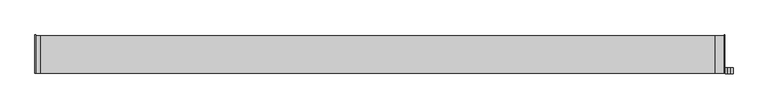
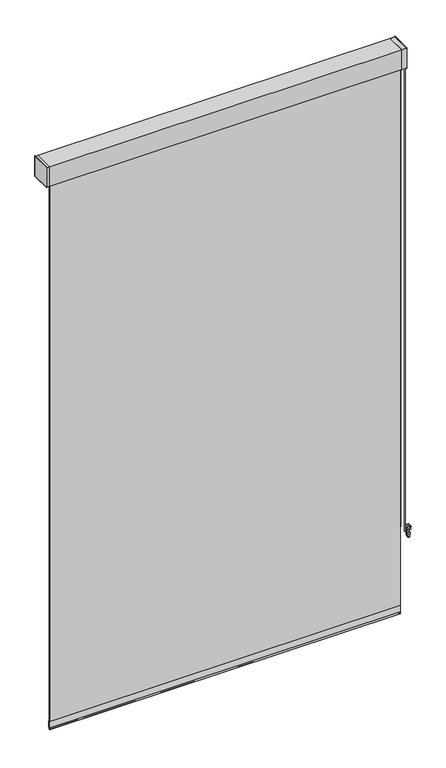
"""IFC4 building model written with IfcOpenShell, lengths in millimetres: proxy geometry."""

from ifc_helpers import new_model, si_unit, point, frame, frame_2d, origin, place, context, project, spatial, polyline, circle_curve, trimmed, segment, composite_curve, outline, extrude, source, transform, mapped, element, save
from ifc_brep_helpers import plane_surface, cylinder_surface, revolved_surface, advanced_brep


def specialty_equipment_977c7c62(model_context):
    return source(origin(), model_context, "Body", "SolidModel", [
        advanced_brep(
        [(775.3715373, 114.3, -748.5031492), (780.4085279, 114.3, -754.1318492), (775.721822, 114.3, -796.2412853), (772.7606072, 114.3, -798.8912064), (770.2893928, 114.3, -798.8912064), (767.328178, 114.3, -796.2412853), (762.6414721, 114.3, -754.1318492), (767.6784627, 114.3, -748.5031492), (768.35, 114.3, -755.1453529), (774.7, 114.3, -755.1453529), (768.35, 114.3, -790.8641029), (774.7, 114.3, -790.8641029), (775.3715373, 101.6, -748.5031492), (767.6784627, 101.6, -748.5031492), (762.6414721, 101.6, -754.1318492), (763.8659654, 101.6, -765.1337606), (779.1840346, 101.6, -765.1337606), (780.4085279, 101.6, -754.1318492), (768.35, 101.6, -755.1453529), (774.7, 101.6, -755.1453529), (767.328178, 101.6, -796.2412853), (770.2893928, 101.6, -798.8912064), (772.7606072, 101.6, -798.8912064), (775.721822, 101.6, -796.2412853), (777.5471218, 101.6, -779.8412064), (765.5028782, 101.6, -779.8412064), (768.35, 101.6, -790.8641029), (774.7, 101.6, -790.8641029), (779.1840346, 111.125, -765.1337606), (777.5471218, 111.125, -779.8412064), (765.5028782, 111.125, -779.8412064), (763.8659654, 111.125, -765.1337606)],
        [
            (0, 1, circle_curve(frame((775.3715373, 114.3, -753.5712411), z_axis=(0.0, 1.0, 0.0), x_axis=(-1.0, 0.0, 0.0)), 5.0680919)),
            (1, 2),
            (2, 3, circle_curve(frame((772.7606072, 114.3, -795.9117073), z_axis=(0.0, 1.0, 0.0), x_axis=(-1.0, 0.0, 0.0)), 2.9794991)),
            (3, 4),
            (4, 5, circle_curve(frame((770.2893928, 114.3, -795.9117073), z_axis=(0.0, 1.0, 0.0), x_axis=(1.0, 0.0, 0.0)), 2.9794991)),
            (5, 6),
            (6, 7, circle_curve(frame((767.6784627, 114.3, -753.5712411), z_axis=(0.0, 1.0, 0.0), x_axis=(1.0, 0.0, 0.0)), 5.0680919)),
            (7, 0),
            (8, 9, circle_curve(frame((771.525, 114.3, -755.1453529), z_axis=(0.0, -1.0, 0.0), x_axis=(1.0, 0.0, 0.0)), 3.175)),
            (9, 8, circle_curve(frame((771.525, 114.3, -755.1453529), z_axis=(0.0, -1.0, 0.0), x_axis=(1.0, 0.0, 0.0)), 3.175)),
            (10, 11, circle_curve(frame((771.525, 114.3, -790.8641029), z_axis=(0.0, -1.0, 0.0), x_axis=(1.0, 0.0, 0.0)), 3.175)),
            (11, 10, circle_curve(frame((771.525, 114.3, -790.8641029), z_axis=(0.0, -1.0, 0.0), x_axis=(1.0, 0.0, 0.0)), 3.175)),
            (12, 13),
            (13, 14, circle_curve(frame((767.6784627, 101.6, -753.5712411), z_axis=(0.0, -1.0, 0.0), x_axis=(1.0, 0.0, 0.0)), 5.0680919)),
            (14, 15),
            (15, 16),
            (16, 17),
            (17, 12, circle_curve(frame((775.3715373, 101.6, -753.5712411), z_axis=(0.0, -1.0, 0.0), x_axis=(-1.0, 0.0, 0.0)), 5.0680919)),
            (18, 19, circle_curve(frame((771.525, 101.6, -755.1453529), z_axis=(0.0, 1.0, 0.0), x_axis=(1.0, 0.0, 0.0)), 3.175)),
            (19, 18, circle_curve(frame((771.525, 101.6, -755.1453529), z_axis=(0.0, 1.0, 0.0), x_axis=(1.0, 0.0, 0.0)), 3.175)),
            (20, 21, circle_curve(frame((770.2893928, 101.6, -795.9117073), z_axis=(0.0, -1.0, 0.0), x_axis=(1.0, 0.0, 0.0)), 2.9794991)),
            (21, 22),
            (22, 23, circle_curve(frame((772.7606072, 101.6, -795.9117073), z_axis=(0.0, -1.0, 0.0), x_axis=(-1.0, 0.0, 0.0)), 2.9794991)),
            (23, 24),
            (24, 25),
            (25, 20),
            (26, 27, circle_curve(frame((771.525, 101.6, -790.8641029), z_axis=(0.0, 1.0, 0.0), x_axis=(1.0, 0.0, 0.0)), 3.175)),
            (27, 26, circle_curve(frame((771.525, 101.6, -790.8641029), z_axis=(0.0, 1.0, 0.0), x_axis=(1.0, 0.0, 0.0)), 3.175)),
            (0, 12),
            (17, 1),
            (16, 28),
            (28, 29),
            (29, 24),
            (23, 2),
            (22, 3),
            (21, 4),
            (20, 5),
            (25, 30),
            (30, 31),
            (31, 15),
            (14, 6),
            (13, 7),
            (8, 18),
            (19, 9),
            (10, 26),
            (27, 11),
            (28, 31),
            (30, 29),
        ],
        [
            plane_surface(frame((770.3034454, 114.3, -753.5712411), z_axis=(0.0, 1.0, 0.0), x_axis=(0.0, 0.0, 1.0))),
            plane_surface(frame((770.3034454, 101.6, -753.5712411), z_axis=(0.0, -1.0, 0.0), x_axis=(0.0, 0.0, -1.0))),
            cylinder_surface(frame((775.3715373, 101.6, -753.5712411), z_axis=(0.0, 1.0, 0.0), x_axis=(-1.0, 0.0, 0.0)), 5.0680919),
            plane_surface(frame((780.4085279, 114.3, -754.1318492), z_axis=(0.9938633059315283, 0.0, -0.11061523006735367), x_axis=(0.0, -1.0, 0.0))),
            cylinder_surface(frame((772.7606072, 101.6, -795.9117073), z_axis=(0.0, 1.0, 0.0), x_axis=(-1.0, 0.0, 0.0)), 2.9794991),
            plane_surface(frame((772.7606072, 114.3, -798.8912064), z_axis=(0.0, 0.0, -1.0), x_axis=(0.0, -1.0, 0.0))),
            cylinder_surface(frame((770.2893928, 101.6, -795.9117073), z_axis=(0.0, 1.0, 0.0), x_axis=(1.0, 0.0, 0.0)), 2.9794991),
            plane_surface(frame((767.328178, 114.3, -796.2412853), z_axis=(-0.9938633059315276, 0.0, -0.11061523006736003), x_axis=(0.0, -1.0, 0.0))),
            cylinder_surface(frame((767.6784627, 101.6, -753.5712411), z_axis=(0.0, 1.0, 0.0), x_axis=(1.0, 0.0, 0.0)), 5.0680919),
            plane_surface(frame((767.6784627, 114.3, -748.5031492), z_axis=(0.0, 0.0, 1.0), x_axis=(0.0, -1.0, 0.0))),
            revolved_surface(polyline([(774.6999999999999, 101.6, -755.1453529), (774.6999999999999, 114.3, -755.1453529)]), (771.525, 101.6, -755.1453529), (0.0, -1.0, 0.0)),
            revolved_surface(polyline([(774.6999999999999, 101.6, -790.8641029), (774.6999999999999, 114.3, -790.8641029)]), (771.525, 101.6, -790.8641029), (0.0, -1.0, 0.0)),
            plane_surface(frame((752.666928, 111.125, -779.8412064), z_axis=(0.0, -1.0, 0.0), x_axis=(-1.0, 0.0, 0.0))),
            plane_surface(frame((780.2523137, 111.125, -779.8412064), z_axis=(0.0, 0.0, 1.0), x_axis=(0.0, -1.0, 0.0))),
            plane_surface(frame((762.4393132, 111.125, -765.1337606), z_axis=(0.0, 0.0, -1.0), x_axis=(0.0, -1.0, 0.0))),
        ],
        [
            (0, [[1, 2, 3, 4, 5, 6, 7, 8], [9, 10], [11, 12]]),
            (1, [[13, 14, 15, 16, 17, 18], [19, 20]]),
            (1, [[21, 22, 23, 24, 25, 26], [27, 28]]),
            (2, [[-1, 29, -18, 30]]),
            (3, [[-2, -30, -17, 31, 32, 33, -24, 34]]),
            (4, [[-3, -34, -23, 35]]),
            (5, [[-4, -35, -22, 36]]),
            (6, [[-5, -36, -21, 37]]),
            (7, [[-6, -37, -26, 38, 39, 40, -15, 41]]),
            (8, [[-7, -41, -14, 42]]),
            (9, [[-8, -42, -13, -29]]),
            (10, [[-9, 43, -20, 44]]),
            (10, [[-10, -44, -19, -43]]),
            (11, [[-11, 45, -28, 46]]),
            (11, [[-12, -46, -27, -45]]),
            (12, [[47, -39, 48, -32]]),
            (13, [[-48, -38, -25, -33]]),
            (14, [[-47, -31, -16, -40]]),
        ],
    ),
        extrude(outline(composite_curve([segment(trimmed(circle_curve(frame_2d((758.987611, 109.9817975)), 1.5875), [point((757.400111, 109.9817975))], [point((760.575111, 109.9817975))], False, "CARTESIAN"), True, "CONTINUOUS"), segment(trimmed(circle_curve(frame_2d((758.987611, 109.9817975)), 1.5875), [point((760.575111, 109.9817975))], [point((757.400111, 109.9817975))], False, "CARTESIAN"), True, "CONTINUOUS")], self_intersect=False)), frame((0.0, 0.0, -771.4837606), z_axis=(0.0, 0.0, 1.0), x_axis=(1.0, 0.0, 0.0)), (0.0, 0.0, 1.0), 2072.64),
        extrude(outline(composite_curve([segment(trimmed(circle_curve(frame_2d((758.987611, 141.7317975)), 1.5875), [point((757.400111, 141.7317975))], [point((760.575111, 141.7317975))], False, "CARTESIAN"), True, "CONTINUOUS"), segment(trimmed(circle_curve(frame_2d((758.987611, 141.7317975)), 1.5875), [point((760.575111, 141.7317975))], [point((757.400111, 141.7317975))], False, "CARTESIAN"), True, "CONTINUOUS")], self_intersect=False)), frame((0.0, 0.0, -771.4837606), z_axis=(0.0, 0.0, 1.0), x_axis=(1.0, 0.0, 0.0)), (0.0, 0.0, 1.0), 2072.64),
        extrude(outline(polyline([(762.0, 185.1421875), (762.0, 101.6), (741.426, 101.6), (741.426, 185.1421875), (762.0, 185.1421875)])), frame((0.0, 0.0, 1301.1562394), z_axis=(0.0, 0.0, 1.0), x_axis=(1.0, 0.0, 0.0)), (0.0, 0.0, 1.0), 87.9078125),
        extrude(outline(polyline([(762.0, 101.6), (760.4125, 101.6), (760.4125, 186.7296875), (762.0, 186.7296875), (762.0, 101.6)])), frame((0.0, 0.0, 1299.5687394), z_axis=(0.0, 0.0, 1.0), x_axis=(1.0, 0.0, 0.0)), (0.0, 0.0, 1.0), 91.0828125),
        extrude(outline(polyline([(-750.316, 185.1421875), (-750.316, 101.6), (-762.0, 101.6), (-762.0, 185.1421875), (-750.316, 185.1421875)])), frame((0.0, 0.0, 1301.1562394), z_axis=(0.0, 0.0, 1.0), x_axis=(1.0, 0.0, 0.0)), (0.0, 0.0, 1.0), 87.9078125),
        extrude(outline(polyline([(-762.0, 186.7296875), (-760.4125, 186.7296875), (-760.4125, 101.6), (-762.0, 101.6), (-762.0, 186.7296875)])), frame((0.0, 0.0, 1299.5687394), z_axis=(0.0, 0.0, 1.0), x_axis=(1.0, 0.0, 0.0)), (0.0, 0.0, 1.0), 91.0828125),
        extrude(outline(polyline([(-762.0, 185.1421875), (762.0, 185.1421875), (762.0, 101.6), (-762.0, 101.6), (-762.0, 185.1421875)])), frame((0.0, 0.0, 1301.1562394), z_axis=(0.0, 0.0, 1.0), x_axis=(1.0, 0.0, 0.0)), (0.0, 0.0, 1.0), 87.9078125),
        extrude(outline(polyline([(741.426, 114.3), (-741.426, 114.3), (-741.426, 117.475), (741.426, 117.475), (741.426, 114.3)])), frame((0.0, 0.0, -1137.2437606), z_axis=(0.0, 0.0, 1.0), x_axis=(1.0, 0.0, 0.0)), (0.0, 0.0, 1.0), 2438.4),
        extrude(outline(composite_curve([segment(polyline([(115.9109476, -1093.1658784), (117.4825911, -1093.1658784)]), True, "CONTINUOUS"), segment(trimmed(circle_curve(frame_2d((58.6477456, -1114.5765725)), 62.6095589), [point((117.4825911, -1093.1658784))], [point((117.1000216, -1137.0106606))], False, "CARTESIAN"), True, "CONTINUOUS"), segment(trimmed(circle_curve(frame_2d((116.6967693, -1136.8216302)), 0.4453592), [point((117.1000216, -1137.0106606))], [point((116.2935171, -1137.0106606))], False, "CARTESIAN"), True, "CONTINUOUS"), segment(trimmed(circle_curve(frame_2d((174.7457931, -1114.5765725)), 62.6095589), [point((116.2935171, -1137.0106606))], [point((115.9109476, -1093.1658784))], False, "CARTESIAN"), True, "CONTINUOUS")], self_intersect=False)), frame((-741.426, 0.0, 0.0), z_axis=(1.0, 0.0, 0.0), x_axis=(0.0, 1.0, 0.0)), (0.0, 0.0, 1.0), 1482.852),
    ])


if __name__ == "__main__":
    model = new_model("IFC4")
    model_context = context("Model", 3, world=origin())
    ifc_project = project(units=[si_unit("LENGTHUNIT", "METRE", prefix="MILLI")], contexts=[model_context])
    site = spatial("IfcSite", under=ifc_project)
    building = spatial("IfcBuilding", under=site)
    placement = place(None, origin())
    specialty_equipment_shape = specialty_equipment_977c7c62(model_context)
    element("IfcBuildingElementProxy", 1, Name="Specialty Equipment", at=placement, inside=building, context=model_context, shape_type="MappedRepresentation", body=[
        mapped(specialty_equipment_shape, transform((0.0, 0.0, 0.0), x_axis=(1.0, 0.0, 0.0), y_axis=(0.0, 1.0, 0.0), z_axis=(0.0, 0.0, 1.0))),
    ])
    save(model, "model.ifc")
